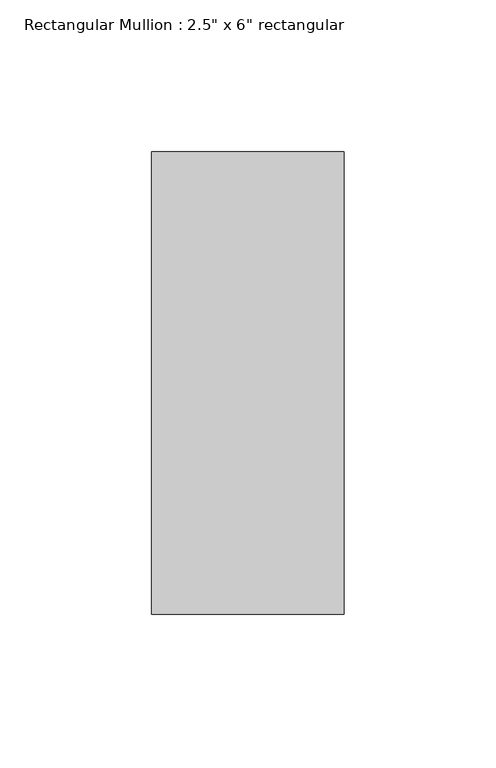
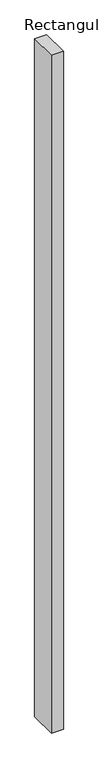
"""IFC4 building model written with IfcOpenShell, lengths in millimetres: member geometry."""

from ifc_helpers import new_model, si_unit, frame, origin, place, context, project, spatial, polyline, outline, extrude, source, transform, mapped, element, save


def member_57c3e566(model_context):
    return source(origin(), model_context, "Body", "SweptSolid", [
        extrude(outline(polyline([(0.0, 60.325), (0.0, -92.075), (-63.5, -92.075), (-63.5, 60.325), (0.0, 60.325)])), frame((0.0, 0.0, -3786.9213441), z_axis=(0.0, 0.0, 1.0), x_axis=(1.0, 0.0, 0.0)), (0.0, 0.0, 1.0), 3786.9213441),
    ])


if __name__ == "__main__":
    model = new_model("IFC4")
    model_context = context("Model", 3, world=origin())
    ifc_project = project(units=[si_unit("LENGTHUNIT", "METRE", prefix="MILLI")], contexts=[model_context])
    site = spatial("IfcSite", under=ifc_project)
    building = spatial("IfcBuilding", under=site)
    placement = place(None, origin())
    member_shape = member_57c3e566(model_context)
    element("IfcMember", 1, ObjectType="Rectangular Mullion : 2.5\" x 6\" rectangular", at=placement, inside=building, context=model_context, shape_type="MappedRepresentation", body=[
        mapped(member_shape, transform((0.0, 0.0, 0.0), x_axis=(1.0, 0.0, 0.0), y_axis=(0.0, 1.0, 0.0), z_axis=(0.0, 0.0, 1.0))),
    ])
    save(model, "model.ifc")
